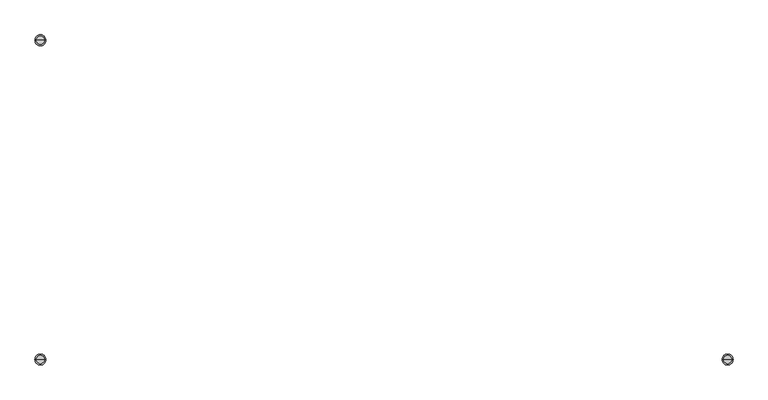
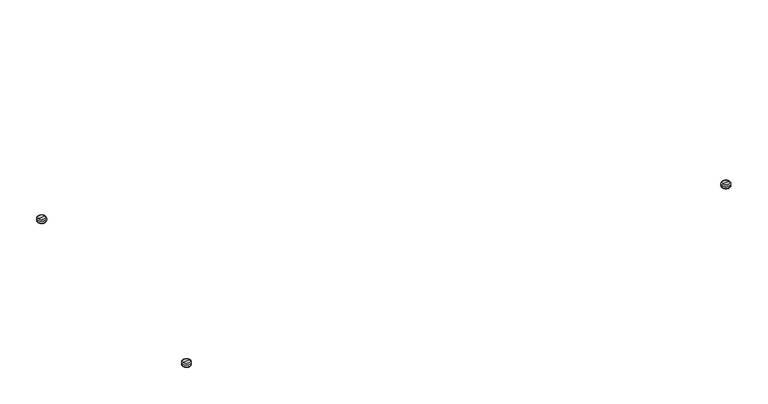
"""IFC4 building model written with IfcOpenShell, lengths in millimetres: furniture geometry."""

import ifcopenshell
import ifcopenshell.guid

model = None  # the IFC model being written
_history = None  # IfcOwnerHistory: only IFC2X3 demands one
_inside = {}  # id of a spatial element -> (the spatial element, [elements in it])
_under = {}  # id of a project, library or spatial element -> (it, [spatial elements below it])
_declared = {}  # id of a project -> (the project, [libraries it declares])
_typed = {}  # id of a type object -> (the type object, [elements of that type])
_made_of = {}  # id of a material, layer set ... -> (it, [elements and type objects made of it])


def new_model(schema):
    """Start an empty IFC model of exactly this schema.

    Asked for "IFC4X3", IfcOpenShell would pick the latest addendum, in which some entities
    have other attributes; the version numbers below select the first issue.
    IFC2X3 requires an IfcOwnerHistory on every rooted entity: one is made here for all.
    """
    global model, _history
    if schema == "IFC4X3":
        model = ifcopenshell.file(schema_version=(4, 3, 0, 0))
    else:
        model = ifcopenshell.file(schema=schema)
    _inside.clear()
    _under.clear()
    _declared.clear()
    _typed.clear()
    _made_of.clear()
    _history = None
    if model.schema == "IFC2X3":
        org = make("IfcOrganization", Name="unknown")
        user = make(
            "IfcPersonAndOrganization",
            ThePerson=make("IfcPerson", FamilyName="unknown"),
            TheOrganization=org,
        )
        app = make(
            "IfcApplication",
            ApplicationDeveloper=org,
            Version="unknown",
            ApplicationFullName="unknown",
            ApplicationIdentifier="unknown",
        )
        _history = make(
            "IfcOwnerHistory",
            OwningUser=user,
            OwningApplication=app,
            ChangeAction="ADDED",
            CreationDate=0,
        )
    return model


def make(cls, **values):
    """One entity of the class cls with the attributes given. An attribute that is None is left unset."""
    return model.create_entity(
        cls, **{name: value for name, value in values.items() if value is not None}
    )


def rooted(cls, **values):
    """An entity with a GlobalId (a new one), such as an element, a storey or a relation."""
    return make(cls, GlobalId=ifcopenshell.guid.new(), OwnerHistory=_history, **values)


def si_unit(unit_type, name, prefix=None):
    """IfcSIUnit, for example si_unit("LENGTHUNIT", "METRE", prefix="MILLI")."""
    return make("IfcSIUnit", UnitType=unit_type, Prefix=prefix, Name=name)


def assignment(units):
    """IfcUnitAssignment: the units of a project."""
    return None if units is None else make("IfcUnitAssignment", Units=units)


def point(xyz):
    """IfcCartesianPoint."""
    return None if xyz is None else make("IfcCartesianPoint", Coordinates=xyz)


def direction(xyz):
    """IfcDirection."""
    return None if xyz is None else make("IfcDirection", DirectionRatios=xyz)


def frame(location, z_axis=None, x_axis=None):
    """IfcAxis2Placement3D, a coordinate frame: its origin and axes. An axis left out is left unset."""
    return make(
        "IfcAxis2Placement3D",
        Location=point(location),
        Axis=direction(z_axis),
        RefDirection=direction(x_axis),
    )


def origin():
    """The frame at (0, 0, 0) with its axes left unset."""
    return frame((0.0, 0.0, 0.0))


def place(relative_to, where):
    """IfcLocalPlacement: puts the frame where relative to a parent placement (None: the world)."""
    return make(
        "IfcLocalPlacement", PlacementRelTo=relative_to, RelativePlacement=where
    )


def context(
    kind, dimensions, precision=None, world=None, true_north=None, identifier=None
):
    """IfcGeometricRepresentationContext, for example the 3D "Model" context."""
    return make(
        "IfcGeometricRepresentationContext",
        ContextIdentifier=identifier,
        ContextType=kind,
        CoordinateSpaceDimension=dimensions,
        Precision=precision,
        WorldCoordinateSystem=world,
        TrueNorth=true_north,
    )


def project(units=None, contexts=None):
    """IfcProject with its units and contexts."""
    return rooted(
        "IfcProject",
        Name="project",
        RepresentationContexts=contexts,
        UnitsInContext=assignment(units),
    )


def spatial(cls, under=None, at=None, **own):
    """A site, building, storey or space (cls), placed at a placement, below another one or the project."""
    s = rooted(cls, ObjectPlacement=at, **own)
    if under is not None:
        _under.setdefault(under.id(), (under, []))[1].append(s)
    return s


def circle_curve(where, radius):
    """IfcCircle in the frame where."""
    return make("IfcCircle", Position=where, Radius=radius)


def ellipse_curve(where, semi_axis1, semi_axis2):
    """IfcEllipse in the frame where."""
    return make(
        "IfcEllipse", Position=where, SemiAxis1=semi_axis1, SemiAxis2=semi_axis2
    )


def trimmed(basis, trim1, trim2, sense, master):
    """IfcTrimmedCurve: the piece of a basis curve between two trims."""
    return make(
        "IfcTrimmedCurve",
        BasisCurve=basis,
        Trim1=trim1,
        Trim2=trim2,
        SenseAgreement=sense,
        MasterRepresentation=master,
    )


def shape(context_of_items, identifier, shape_type, items):
    """IfcShapeRepresentation: the items that make up one representation, for example the "Body"."""
    return make(
        "IfcShapeRepresentation",
        ContextOfItems=context_of_items,
        RepresentationIdentifier=identifier,
        RepresentationType=shape_type,
        Items=items,
    )


def source(mapping_origin, context_of_items, identifier, shape_type, items):
    """IfcRepresentationMap: a shape defined once, which mapped items show again and again."""
    return make(
        "IfcRepresentationMap",
        MappingOrigin=mapping_origin,
        MappedRepresentation=shape(context_of_items, identifier, shape_type, items),
    )


def transform(
    local_origin,
    x_axis=None,
    y_axis=None,
    z_axis=None,
    scale=None,
    scale2=None,
    scale3=None,
    uniform=True,
):
    """IfcCartesianTransformationOperator3D, or its non-uniform kind. x_axis, y_axis, z_axis: its Axis1, 2, 3."""
    if uniform:
        return make(
            "IfcCartesianTransformationOperator3D",
            Axis1=direction(x_axis),
            Axis2=direction(y_axis),
            LocalOrigin=point(local_origin),
            Scale=scale,
            Axis3=direction(z_axis),
        )
    return make(
        "IfcCartesianTransformationOperator3DnonUniform",
        Axis1=direction(x_axis),
        Axis2=direction(y_axis),
        LocalOrigin=point(local_origin),
        Scale=scale,
        Axis3=direction(z_axis),
        Scale2=scale2,
        Scale3=scale3,
    )


def mapped(mapping_source, mapping_target):
    """IfcMappedItem: shows the shape of a source again, moved by a transform."""
    return make(
        "IfcMappedItem", MappingSource=mapping_source, MappingTarget=mapping_target
    )


def made_of(thing, what):
    """Note that an element or type object is made of a material, layer set ...; save() writes the relation."""
    if what is not None:
        _made_of.setdefault(what.id(), (what, []))[1].append(thing)
    return thing


def element(
    cls,
    number,
    at=None,
    inside=None,
    cuts=None,
    type_object=None,
    material=None,
    context=None,
    identifier="Body",
    shape_type=None,
    held_by="IfcProductDefinitionShape",
    body=None,
    shapes=None,
    **own,
):
    """One element of the class cls, such as IfcWall. Its Tag is "e" and its number.

    at: its placement. inside: the storey or other place that contains it. cuts: it is an
    opening in that element (IfcRelVoidsElement). A single representation is given by context,
    identifier, shape_type and body (its items); several are given by shapes. held_by: the class
    of the entity that holds the representations. save() writes the other relations.
    """
    e = rooted(cls, Tag="e%d" % number, ObjectPlacement=at, **own)
    if body is not None:
        shapes = [shape(context, identifier, shape_type, body)]
    if shapes is not None:
        e.Representation = make(held_by, Representations=shapes)
    if inside is not None:
        _inside.setdefault(inside.id(), (inside, []))[1].append(e)
    if cuts is not None:
        rooted(
            "IfcRelVoidsElement", RelatingBuildingElement=cuts, RelatedOpeningElement=e
        )
    if type_object is not None:
        _typed.setdefault(type_object.id(), (type_object, []))[1].append(e)
    return made_of(e, material)


def aggregate(whole, parts):
    """IfcRelAggregates: a whole, such as a stair, and the parts it consists of."""
    return rooted("IfcRelAggregates", RelatingObject=whole, RelatedObjects=parts)


def save(model, path):
    """Write the relations noted so far, then the file.

    IfcRelAggregates (storeys below a building ...), IfcRelContainedInSpatialStructure (elements
    in a storey), IfcRelDefinesByType, IfcRelAssociatesMaterial and IfcRelDeclares: one each for
    every whole, place, type object, material and project.
    """
    for whole, parts in _under.values():
        aggregate(whole, parts)
    for where, things in _inside.values():
        rooted(
            "IfcRelContainedInSpatialStructure",
            RelatedElements=things,
            RelatingStructure=where,
        )
    for kind, things in _typed.values():
        rooted("IfcRelDefinesByType", RelatedObjects=things, RelatingType=kind)
    for what, things in _made_of.values():
        rooted("IfcRelAssociatesMaterial", RelatedObjects=things, RelatingMaterial=what)
    for by, libraries in _declared.values():
        rooted("IfcRelDeclares", RelatingContext=by, RelatedDefinitions=libraries)
    model.write(path)


def plane_surface(at):
    """IfcPlane: the flat surface through the origin of the frame at, square to its z axis."""
    return make("IfcPlane", Position=at)


def cylinder_surface(at, radius):
    """IfcCylindricalSurface: all points at the distance radius from the z axis of the frame at."""
    return make("IfcCylindricalSurface", Position=at, Radius=radius)


def revolved_surface(curve, axis_point, axis_direction):
    """IfcSurfaceOfRevolution: the curve turned about the line through axis_point along axis_direction."""
    return make(
        "IfcSurfaceOfRevolution",
        SweptCurve=make("IfcArbitraryOpenProfileDef", ProfileType="CURVE", Curve=curve),
        AxisPosition=make("IfcAxis1Placement", Location=point(axis_point), Axis=direction(axis_direction)),
    )


def advanced_brep(points, edges, surfaces, faces):
    """IfcAdvancedBrep: a solid bounded by faces that lie on surfaces and meet in shared edges.

    An edge is (start, end): straight between two places in points (the first is 0);
    or (start, end, curve); or (start, end, curve, False) where it runs against its curve.
    A face is (place in surfaces, loops), or (place, loops, False) where it looks against
    its surface's normal. A loop lists edges by number (the first is 1), with a minus sign
    where the edge is run from its end to its start. The first loop is the outer one.
    """
    corners = [point(p) for p in points]
    vertices = [make("IfcVertexPoint", VertexGeometry=c) for c in corners]
    made = []
    for start, end, *more in edges:
        made.append(
            make(
                "IfcEdgeCurve",
                EdgeStart=vertices[start],
                EdgeEnd=vertices[end],
                EdgeGeometry=more[0] if more else make("IfcPolyline", Points=[corners[start], corners[end]]),
                SameSense=more[1] if len(more) > 1 else True,
            )
        )
    hull = []
    for where, loops, *sense in faces:
        bounds = []
        for j, loop in enumerate(loops):
            ring = [make("IfcOrientedEdge", EdgeElement=made[abs(k) - 1], Orientation=k > 0) for k in loop]
            bounds.append(
                make(
                    "IfcFaceOuterBound" if j == 0 else "IfcFaceBound",
                    Bound=make("IfcEdgeLoop", EdgeList=ring),
                    Orientation=True,
                )
            )
        hull.append(make("IfcAdvancedFace", Bounds=bounds, FaceSurface=surfaces[where], SameSense=sense[0] if sense else True))
    return make("IfcAdvancedBrep", Outer=make("IfcClosedShell", CfsFaces=hull))


def furniture_fe5dd41b(model_context):
    return source(origin(), model_context, "Body", "AdvancedBrep", [
        advanced_brep(
        [(-612.7826546, 332.5826887, 9.525), (-620.0892207, 332.5826887, 9.525), (-605.4760884, 332.5826887, 9.525), (-622.5032095, 332.5826887, 7.1110112), (-603.0620996, 332.5826887, 7.1110112), (-622.5032095, 332.5826887, 2.54), (-603.0620996, 332.5826887, 2.54), (-619.9632095, 332.5826887, 0.0), (-605.6020996, 332.5826887, 0.0), (-612.7826546, 332.5826887, 0.0)],
        [
            (0, 1),
            (1, 2, circle_curve(frame((-612.7826546, 332.5826887, 9.525), z_axis=(0.0, 0.0, 1.0), x_axis=(-1.0, 0.0, 0.0)), 7.3065662)),
            (2, 0),
            (2, 1, circle_curve(frame((-612.7826546, 332.5826887, 9.525), z_axis=(0.0, 0.0, 1.0), x_axis=(-1.0, 0.0, 0.0)), 7.3065662)),
            (1, 3, circle_curve(frame((-620.0892207, 332.5826887, 7.1110112), z_axis=(0.0, -1.0, 0.0), x_axis=(1.0, 0.0, 0.0)), 2.4139888)),
            (3, 4, circle_curve(frame((-612.7826546, 332.5826887, 7.1110112), z_axis=(0.0, 0.0, 1.0), x_axis=(-1.0, 0.0, 0.0)), 9.7205549)),
            (4, 2, circle_curve(frame((-605.4760884, 332.5826887, 7.1110112), z_axis=(0.0, -1.0, 0.0), x_axis=(-1.0, 0.0, 0.0)), 2.4139888)),
            (4, 3, circle_curve(frame((-612.7826546, 332.5826887, 7.1110112), z_axis=(0.0, 0.0, 1.0), x_axis=(-1.0, 0.0, 0.0)), 9.7205549)),
            (3, 5),
            (5, 6, circle_curve(frame((-612.7826546, 332.5826887, 2.54), z_axis=(0.0, 0.0, 1.0), x_axis=(-1.0, 0.0, 0.0)), 9.7205549)),
            (6, 4),
            (6, 5, circle_curve(frame((-612.7826546, 332.5826887, 2.54), z_axis=(0.0, 0.0, 1.0), x_axis=(-1.0, 0.0, 0.0)), 9.7205549)),
            (5, 7, circle_curve(frame((-619.9632095, 332.5826887, 2.54), z_axis=(0.0, -1.0, 0.0), x_axis=(1.0, 0.0, 0.0)), 2.54)),
            (7, 8, circle_curve(frame((-612.7826546, 332.5826887, 0.0), z_axis=(0.0, 0.0, 1.0), x_axis=(-1.0, 0.0, 0.0)), 7.1805549)),
            (8, 6, circle_curve(frame((-605.6020996, 332.5826887, 2.54), z_axis=(0.0, -1.0, 0.0), x_axis=(-1.0, 0.0, 0.0)), 2.54)),
            (8, 7, circle_curve(frame((-612.7826546, 332.5826887, 0.0), z_axis=(0.0, 0.0, 1.0), x_axis=(-1.0, 0.0, 0.0)), 7.1805549)),
            (7, 9),
            (9, 8),
        ],
        [
            plane_surface(frame((-612.7826546, 332.5826887, 9.525), z_axis=(0.0, 0.0, 1.0), x_axis=(-1.0, 0.0, 0.0))),
            revolved_surface(trimmed(ellipse_curve(frame((-620.0892207, 332.5826887, 7.1110112), z_axis=(0.0, 1.0, 0.0), x_axis=(1.0, 0.0, 0.0)), 2.4139888, 2.4139888), [point((-622.5032095, 332.5826887, 7.1110112))], [point((-620.0892207, 332.5826887, 9.525))], True, "CARTESIAN"), (-612.7826546, 332.5826887, 9.3770739), (0.0, 0.0, 1.0)),
            cylinder_surface(frame((-612.7826546, 332.5826887, 9.3770739), z_axis=(0.0, 0.0, 1.0), x_axis=(-1.0, 0.0, 0.0)), 9.7205549),
            revolved_surface(trimmed(ellipse_curve(frame((-619.9632095, 332.5826887, 2.54), z_axis=(0.0, 1.0, 0.0), x_axis=(1.0, 0.0, 0.0)), 2.54, 2.54), [point((-619.9632095, 332.5826887, 0.0))], [point((-622.5032095, 332.5826887, 2.54))], True, "CARTESIAN"), (-612.7826546, 332.5826887, 9.3770739), (0.0, 0.0, 1.0)),
            plane_surface(frame((-612.7826546, 332.5826887, 0.0), z_axis=(0.0, 0.0, -1.0), x_axis=(-1.0, 0.0, 0.0))),
        ],
        [
            (0, [[1, 2, 3]]),
            (0, [[-3, 4, -1]]),
            (1, [[-2, 5, 6, 7]]),
            (1, [[-4, -7, 8, -5]]),
            (2, [[-6, 9, 10, 11]]),
            (2, [[-8, -11, 12, -9]]),
            (3, [[-10, 13, 14, 15]]),
            (3, [[-12, -15, 16, -13]]),
            (4, [[-14, 17, 18]]),
            (4, [[-16, -18, -17]]),
        ],
    ),
        advanced_brep(
        [(612.7826546, -237.3326887, 9.525), (620.0892207, -237.3326887, 9.525), (605.4760884, -237.3326887, 9.525), (622.5032095, -237.3326887, 7.1110112), (603.0620996, -237.3326887, 7.1110112), (622.5032095, -237.3326887, 2.54), (603.0620996, -237.3326887, 2.54), (619.9632095, -237.3326887, 0.0), (605.6020996, -237.3326887, 0.0), (612.7826546, -237.3326887, 0.0)],
        [
            (0, 1),
            (1, 2, circle_curve(frame((612.7826546, -237.3326887, 9.525), z_axis=(0.0, 0.0, 1.0), x_axis=(1.0, 0.0, 0.0)), 7.3065662)),
            (2, 0),
            (2, 1, circle_curve(frame((612.7826546, -237.3326887, 9.525), z_axis=(0.0, 0.0, 1.0), x_axis=(1.0, 0.0, 0.0)), 7.3065662)),
            (1, 3, circle_curve(frame((620.0892207, -237.3326887, 7.1110112), z_axis=(0.0, 1.0, 0.0), x_axis=(-1.0, 0.0, 0.0)), 2.4139888)),
            (3, 4, circle_curve(frame((612.7826546, -237.3326887, 7.1110112), z_axis=(0.0, 0.0, 1.0), x_axis=(1.0, 0.0, 0.0)), 9.7205549)),
            (4, 2, circle_curve(frame((605.4760884, -237.3326887, 7.1110112), z_axis=(0.0, 1.0, 0.0), x_axis=(1.0, 0.0, 0.0)), 2.4139888)),
            (4, 3, circle_curve(frame((612.7826546, -237.3326887, 7.1110112), z_axis=(0.0, 0.0, 1.0), x_axis=(1.0, 0.0, 0.0)), 9.7205549)),
            (3, 5),
            (5, 6, circle_curve(frame((612.7826546, -237.3326887, 2.54), z_axis=(0.0, 0.0, 1.0), x_axis=(1.0, 0.0, 0.0)), 9.7205549)),
            (6, 4),
            (6, 5, circle_curve(frame((612.7826546, -237.3326887, 2.54), z_axis=(0.0, 0.0, 1.0), x_axis=(1.0, 0.0, 0.0)), 9.7205549)),
            (5, 7, circle_curve(frame((619.9632095, -237.3326887, 2.54), z_axis=(0.0, 1.0, 0.0), x_axis=(-1.0, 0.0, 0.0)), 2.54)),
            (7, 8, circle_curve(frame((612.7826546, -237.3326887, 0.0), z_axis=(0.0, 0.0, 1.0), x_axis=(1.0, 0.0, 0.0)), 7.1805549)),
            (8, 6, circle_curve(frame((605.6020996, -237.3326887, 2.54), z_axis=(0.0, 1.0, 0.0), x_axis=(1.0, 0.0, 0.0)), 2.54)),
            (8, 7, circle_curve(frame((612.7826546, -237.3326887, 0.0), z_axis=(0.0, 0.0, 1.0), x_axis=(1.0, 0.0, 0.0)), 7.1805549)),
            (7, 9),
            (9, 8),
        ],
        [
            plane_surface(frame((612.7826546, -237.3326887, 9.525), z_axis=(0.0, 0.0, 1.0), x_axis=(1.0, 0.0, 0.0))),
            revolved_surface(trimmed(ellipse_curve(frame((620.0892207, -237.3326887, 7.1110112), z_axis=(0.0, -1.0, 0.0), x_axis=(-1.0, 0.0, 0.0)), 2.4139888, 2.4139888), [point((622.5032095, -237.3326887, 7.1110112))], [point((620.0892207, -237.3326887, 9.525))], True, "CARTESIAN"), (612.7826546, -237.3326887, 9.3770739), (0.0, 0.0, 1.0)),
            cylinder_surface(frame((612.7826546, -237.3326887, 9.3770739), z_axis=(0.0, 0.0, 1.0), x_axis=(1.0, 0.0, 0.0)), 9.7205549),
            revolved_surface(trimmed(ellipse_curve(frame((619.9632095, -237.3326887, 2.54), z_axis=(0.0, -1.0, 0.0), x_axis=(-1.0, 0.0, 0.0)), 2.54, 2.54), [point((619.9632095, -237.3326887, 0.0))], [point((622.5032095, -237.3326887, 2.54))], True, "CARTESIAN"), (612.7826546, -237.3326887, 9.3770739), (0.0, 0.0, 1.0)),
            plane_surface(frame((612.7826546, -237.3326887, 0.0), z_axis=(0.0, 0.0, -1.0), x_axis=(1.0, 0.0, 0.0))),
        ],
        [
            (0, [[1, 2, 3]]),
            (0, [[-3, 4, -1]]),
            (1, [[-2, 5, 6, 7]]),
            (1, [[-4, -7, 8, -5]]),
            (2, [[-6, 9, 10, 11]]),
            (2, [[-8, -11, 12, -9]]),
            (3, [[-10, 13, 14, 15]]),
            (3, [[-12, -15, 16, -13]]),
            (4, [[-14, 17, 18]]),
            (4, [[-16, -18, -17]]),
        ],
    ),
        advanced_brep(
        [(-605.4760884, -237.3326887, 9.525), (-620.0892207, -237.3326887, 9.525), (-612.7826546, -237.3326887, 9.525), (-603.0620996, -237.3326887, 7.1110112), (-622.5032095, -237.3326887, 7.1110112), (-603.0620996, -237.3326887, 2.54), (-622.5032095, -237.3326887, 2.54), (-605.6020996, -237.3326887, 0.0), (-619.9632095, -237.3326887, 0.0), (-612.7826546, -237.3326887, 0.0)],
        [
            (0, 1, circle_curve(frame((-612.7826546, -237.3326887, 9.525), z_axis=(0.0, 0.0, 1.0), x_axis=(-1.0, 0.0, 0.0)), 7.3065662)),
            (1, 2),
            (2, 0),
            (1, 0, circle_curve(frame((-612.7826546, -237.3326887, 9.525), z_axis=(0.0, 0.0, 1.0), x_axis=(-1.0, 0.0, 0.0)), 7.3065662)),
            (3, 4, circle_curve(frame((-612.7826546, -237.3326887, 7.1110112), z_axis=(0.0, 0.0, 1.0), x_axis=(-1.0, 0.0, 0.0)), 9.7205549)),
            (4, 1, circle_curve(frame((-620.0892207, -237.3326887, 7.1110112), z_axis=(0.0, 1.0, 0.0), x_axis=(1.0, 0.0, 0.0)), 2.4139888)),
            (0, 3, circle_curve(frame((-605.4760884, -237.3326887, 7.1110112), z_axis=(0.0, 1.0, 0.0), x_axis=(-1.0, 0.0, 0.0)), 2.4139888)),
            (4, 3, circle_curve(frame((-612.7826546, -237.3326887, 7.1110112), z_axis=(0.0, 0.0, 1.0), x_axis=(-1.0, 0.0, 0.0)), 9.7205549)),
            (5, 6, circle_curve(frame((-612.7826546, -237.3326887, 2.54), z_axis=(0.0, 0.0, 1.0), x_axis=(-1.0, 0.0, 0.0)), 9.7205549)),
            (6, 4),
            (3, 5),
            (6, 5, circle_curve(frame((-612.7826546, -237.3326887, 2.54), z_axis=(0.0, 0.0, 1.0), x_axis=(-1.0, 0.0, 0.0)), 9.7205549)),
            (7, 8, circle_curve(frame((-612.7826546, -237.3326887, 0.0), z_axis=(0.0, 0.0, 1.0), x_axis=(-1.0, 0.0, 0.0)), 7.1805549)),
            (8, 6, circle_curve(frame((-619.9632095, -237.3326887, 2.54), z_axis=(0.0, 1.0, 0.0), x_axis=(1.0, 0.0, 0.0)), 2.54)),
            (5, 7, circle_curve(frame((-605.6020996, -237.3326887, 2.54), z_axis=(0.0, 1.0, 0.0), x_axis=(-1.0, 0.0, 0.0)), 2.54)),
            (8, 7, circle_curve(frame((-612.7826546, -237.3326887, 0.0), z_axis=(0.0, 0.0, 1.0), x_axis=(-1.0, 0.0, 0.0)), 7.1805549)),
            (9, 8),
            (7, 9),
        ],
        [
            plane_surface(frame((-612.7826546, -237.3326887, 9.525), z_axis=(0.0, 0.0, 1.0), x_axis=(-1.0, 0.0, 0.0))),
            revolved_surface(trimmed(ellipse_curve(frame((-620.0892207, -237.3326887, 7.1110112), z_axis=(0.0, -1.0, 0.0), x_axis=(1.0, 0.0, 0.0)), 2.4139888, 2.4139888), [point((-620.0892207, -237.3326887, 9.525))], [point((-622.5032095, -237.3326887, 7.1110112))], True, "CARTESIAN"), (-612.7826546, -237.3326887, 9.3770739), (0.0, 0.0, -1.0)),
            cylinder_surface(frame((-612.7826546, -237.3326887, 9.3770739), z_axis=(0.0, 0.0, -1.0), x_axis=(-1.0, 0.0, 0.0)), 9.7205549),
            revolved_surface(trimmed(ellipse_curve(frame((-619.9632095, -237.3326887, 2.54), z_axis=(0.0, -1.0, 0.0), x_axis=(1.0, 0.0, 0.0)), 2.54, 2.54), [point((-622.5032095, -237.3326887, 2.54))], [point((-619.9632095, -237.3326887, 0.0))], True, "CARTESIAN"), (-612.7826546, -237.3326887, 9.3770739), (0.0, 0.0, -1.0)),
            plane_surface(frame((-612.7826546, -237.3326887, 0.0), z_axis=(0.0, 0.0, -1.0), x_axis=(-1.0, 0.0, 0.0))),
        ],
        [
            (0, [[1, 2, 3]]),
            (0, [[4, -3, -2]]),
            (1, [[5, 6, -1, 7]]),
            (1, [[8, -7, -4, -6]]),
            (2, [[9, 10, -5, 11]]),
            (2, [[12, -11, -8, -10]]),
            (3, [[13, 14, -9, 15]]),
            (3, [[16, -15, -12, -14]]),
            (4, [[17, -13, 18]]),
            (4, [[-18, -16, -17]]),
        ],
    ),
    ])


if __name__ == "__main__":
    model = new_model("IFC4")
    model_context = context("Model", 3, world=origin())
    ifc_project = project(units=[si_unit("LENGTHUNIT", "METRE", prefix="MILLI")], contexts=[model_context])
    site = spatial("IfcSite", under=ifc_project)
    building = spatial("IfcBuilding", under=site)
    placement = place(None, origin())
    furniture_shape = furniture_fe5dd41b(model_context)
    element("IfcFurniture", 1, at=placement, inside=building, context=model_context, shape_type="MappedRepresentation", body=[
        mapped(furniture_shape, transform((0.0, 0.0, 0.0), x_axis=(1.0, 0.0, 0.0), y_axis=(0.0, 1.0, 0.0), z_axis=(0.0, 0.0, 1.0))),
    ])
    save(model, "model.ifc")
